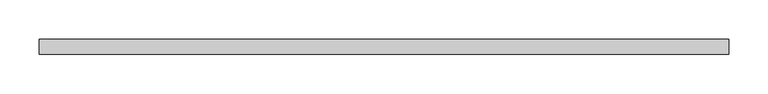
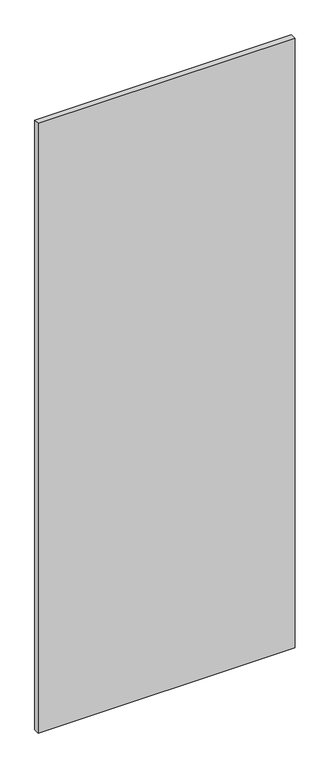
"""IFC4 building model written with IfcOpenShell, lengths in millimetres: proxy geometry."""

from ifc_helpers import new_model, si_unit, frame, origin, place, context, project, spatial, polyline, outline, extrude, source, transform, mapped, element, save


def specialty_equipment_bbdda717(model_context):
    return source(origin(), model_context, "Body", "SweptSolid", [
        extrude(outline(polyline([(439.1239898, -9.525), (-439.1239898, -9.525), (-439.1239898, 9.525), (439.1239898, 9.525), (439.1239898, -9.525)])), frame((0.0, 0.0, 3.175), z_axis=(0.0, 0.0, 1.0), x_axis=(1.0, 0.0, 0.0)), (0.0, 0.0, 1.0), 2203.45),
    ])


if __name__ == "__main__":
    model = new_model("IFC4")
    model_context = context("Model", 3, world=origin())
    ifc_project = project(units=[si_unit("LENGTHUNIT", "METRE", prefix="MILLI")], contexts=[model_context])
    site = spatial("IfcSite", under=ifc_project)
    building = spatial("IfcBuilding", under=site)
    placement = place(None, origin())
    specialty_equipment_shape = specialty_equipment_bbdda717(model_context)
    element("IfcBuildingElementProxy", 1, Name="Specialty Equipment", at=placement, inside=building, context=model_context, shape_type="MappedRepresentation", body=[
        mapped(specialty_equipment_shape, transform((0.0, 0.0, 0.0), x_axis=(1.0, 0.0, 0.0), y_axis=(0.0, 1.0, 0.0), z_axis=(0.0, 0.0, 1.0))),
    ])
    save(model, "model.ifc")
